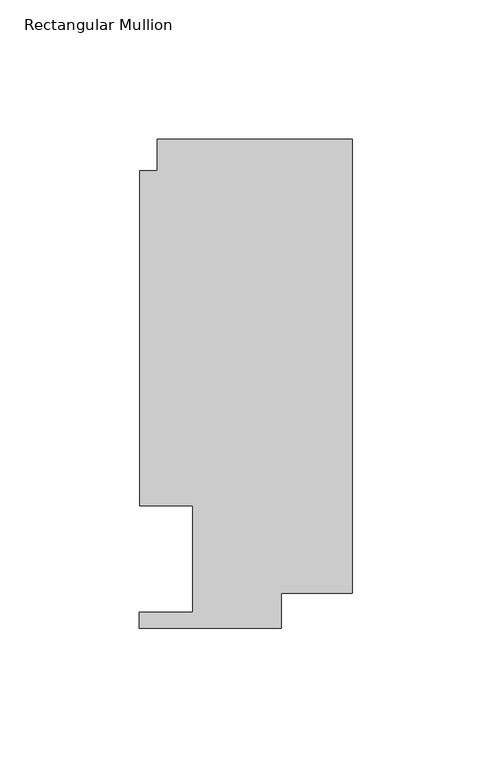
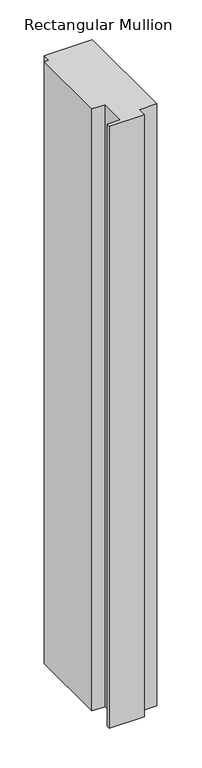
"""IFC4 building model written with IfcOpenShell, lengths in millimetres: member geometry, Rectangular Mullion."""

from ifc_helpers import new_model, si_unit, frame, origin, place, context, project, spatial, polyline, outline, extrude, source, transform, mapped, element, save


def rectangular_mullion_66ce7f2f(model_context):
    return source(origin(), model_context, "Body", "SweptSolid", [
        extrude(outline(polyline([(-69.8417664, 163.068), (0.0, 163.068), (0.0, 0.3801778), (-25.4044662, 0.3801778), (-25.4044662, -12.065), (-76.2171663, -12.065), (-76.2171663, -6.35), (-57.1417663, -6.35), (-57.1417663, 31.75), (-76.1917663, 31.75), (-76.1917663, 151.892), (-69.8417664, 151.892), (-69.8417664, 163.068)])), frame((0.0, 0.0, -924.56), z_axis=(0.0, 0.0, 1.0), x_axis=(1.0, 0.0, 0.0)), (0.0, 0.0, 1.0), 924.56),
    ])


if __name__ == "__main__":
    model = new_model("IFC4")
    model_context = context("Model", 3, world=origin())
    ifc_project = project(units=[si_unit("LENGTHUNIT", "METRE", prefix="MILLI")], contexts=[model_context])
    site = spatial("IfcSite", under=ifc_project)
    building = spatial("IfcBuilding", under=site)
    placement = place(None, origin())
    rectangular_mullion_shape = rectangular_mullion_66ce7f2f(model_context)
    element("IfcMember", 1, ObjectType="Rectangular Mullion", at=placement, inside=building, context=model_context, shape_type="MappedRepresentation", body=[
        mapped(rectangular_mullion_shape, transform((0.0, 0.0, 0.0), x_axis=(1.0, 0.0, 0.0), y_axis=(0.0, 1.0, 0.0), z_axis=(0.0, 0.0, 1.0))),
    ])
    save(model, "model.ifc")
